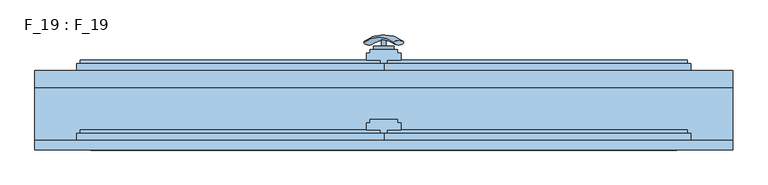
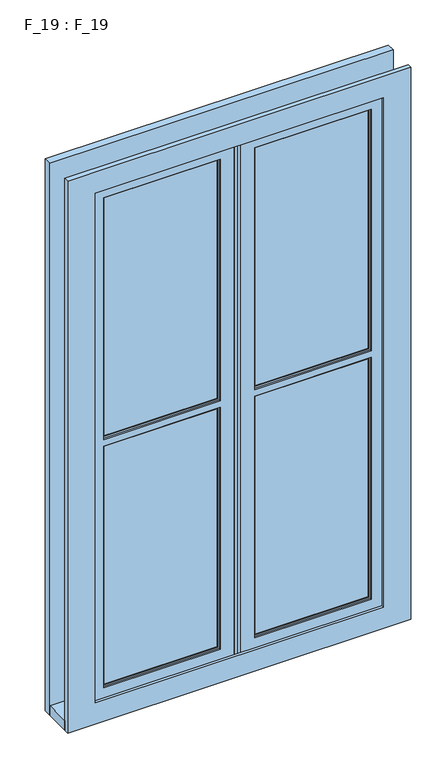
"""IFC4 building model written with IfcOpenShell, lengths in millimetres: window geometry, F_19 : F_19."""

import ifcopenshell
import ifcopenshell.guid

model = None  # the IFC model being written
_history = None  # IfcOwnerHistory: only IFC2X3 demands one
_inside = {}  # id of a spatial element -> (the spatial element, [elements in it])
_under = {}  # id of a project, library or spatial element -> (it, [spatial elements below it])
_declared = {}  # id of a project -> (the project, [libraries it declares])
_typed = {}  # id of a type object -> (the type object, [elements of that type])
_made_of = {}  # id of a material, layer set ... -> (it, [elements and type objects made of it])


def new_model(schema):
    """Start an empty IFC model of exactly this schema.

    Asked for "IFC4X3", IfcOpenShell would pick the latest addendum, in which some entities
    have other attributes; the version numbers below select the first issue.
    IFC2X3 requires an IfcOwnerHistory on every rooted entity: one is made here for all.
    """
    global model, _history
    if schema == "IFC4X3":
        model = ifcopenshell.file(schema_version=(4, 3, 0, 0))
    else:
        model = ifcopenshell.file(schema=schema)
    _inside.clear()
    _under.clear()
    _declared.clear()
    _typed.clear()
    _made_of.clear()
    _history = None
    if model.schema == "IFC2X3":
        org = make("IfcOrganization", Name="unknown")
        user = make(
            "IfcPersonAndOrganization",
            ThePerson=make("IfcPerson", FamilyName="unknown"),
            TheOrganization=org,
        )
        app = make(
            "IfcApplication",
            ApplicationDeveloper=org,
            Version="unknown",
            ApplicationFullName="unknown",
            ApplicationIdentifier="unknown",
        )
        _history = make(
            "IfcOwnerHistory",
            OwningUser=user,
            OwningApplication=app,
            ChangeAction="ADDED",
            CreationDate=0,
        )
    return model


def make(cls, **values):
    """One entity of the class cls with the attributes given. An attribute that is None is left unset."""
    return model.create_entity(
        cls, **{name: value for name, value in values.items() if value is not None}
    )


def rooted(cls, **values):
    """An entity with a GlobalId (a new one), such as an element, a storey or a relation."""
    return make(cls, GlobalId=ifcopenshell.guid.new(), OwnerHistory=_history, **values)


def si_unit(unit_type, name, prefix=None):
    """IfcSIUnit, for example si_unit("LENGTHUNIT", "METRE", prefix="MILLI")."""
    return make("IfcSIUnit", UnitType=unit_type, Prefix=prefix, Name=name)


def assignment(units):
    """IfcUnitAssignment: the units of a project."""
    return None if units is None else make("IfcUnitAssignment", Units=units)


def point(xyz):
    """IfcCartesianPoint."""
    return None if xyz is None else make("IfcCartesianPoint", Coordinates=xyz)


def direction(xyz):
    """IfcDirection."""
    return None if xyz is None else make("IfcDirection", DirectionRatios=xyz)


def frame(location, z_axis=None, x_axis=None):
    """IfcAxis2Placement3D, a coordinate frame: its origin and axes. An axis left out is left unset."""
    return make(
        "IfcAxis2Placement3D",
        Location=point(location),
        Axis=direction(z_axis),
        RefDirection=direction(x_axis),
    )


def frame_2d(location, x_axis=None):
    """IfcAxis2Placement2D, a coordinate frame in the plane: its origin and x axis."""
    return make(
        "IfcAxis2Placement2D", Location=point(location), RefDirection=direction(x_axis)
    )


def origin():
    """The frame at (0, 0, 0) with its axes left unset."""
    return frame((0.0, 0.0, 0.0))


def place(relative_to, where):
    """IfcLocalPlacement: puts the frame where relative to a parent placement (None: the world)."""
    return make(
        "IfcLocalPlacement", PlacementRelTo=relative_to, RelativePlacement=where
    )


def context(
    kind, dimensions, precision=None, world=None, true_north=None, identifier=None
):
    """IfcGeometricRepresentationContext, for example the 3D "Model" context."""
    return make(
        "IfcGeometricRepresentationContext",
        ContextIdentifier=identifier,
        ContextType=kind,
        CoordinateSpaceDimension=dimensions,
        Precision=precision,
        WorldCoordinateSystem=world,
        TrueNorth=true_north,
    )


def project(units=None, contexts=None):
    """IfcProject with its units and contexts."""
    return rooted(
        "IfcProject",
        Name="project",
        RepresentationContexts=contexts,
        UnitsInContext=assignment(units),
    )


def spatial(cls, under=None, at=None, **own):
    """A site, building, storey or space (cls), placed at a placement, below another one or the project."""
    s = rooted(cls, ObjectPlacement=at, **own)
    if under is not None:
        _under.setdefault(under.id(), (under, []))[1].append(s)
    return s


def polyline(points):
    """IfcPolyline through the points."""
    return make("IfcPolyline", Points=[point(p) for p in points])


def circle_curve(where, radius):
    """IfcCircle in the frame where."""
    return make("IfcCircle", Position=where, Radius=radius)


def ellipse_curve(where, semi_axis1, semi_axis2):
    """IfcEllipse in the frame where."""
    return make(
        "IfcEllipse", Position=where, SemiAxis1=semi_axis1, SemiAxis2=semi_axis2
    )


def trimmed(basis, trim1, trim2, sense, master):
    """IfcTrimmedCurve: the piece of a basis curve between two trims."""
    return make(
        "IfcTrimmedCurve",
        BasisCurve=basis,
        Trim1=trim1,
        Trim2=trim2,
        SenseAgreement=sense,
        MasterRepresentation=master,
    )


def segment(curve, same_sense, transition):
    """IfcCompositeCurveSegment."""
    return make(
        "IfcCompositeCurveSegment",
        Transition=transition,
        SameSense=same_sense,
        ParentCurve=curve,
    )


def composite_curve(segments, self_intersect=None):
    """IfcCompositeCurve: segments joined end to end."""
    return make("IfcCompositeCurve", Segments=segments, SelfIntersect=self_intersect)


def outline(outer, holes=None, kind="AREA"):
    """IfcArbitraryClosedProfileDef: a profile drawn as a closed curve; with holes, ...WithVoids."""
    if holes is None:
        return make("IfcArbitraryClosedProfileDef", ProfileType=kind, OuterCurve=outer)
    return make(
        "IfcArbitraryProfileDefWithVoids",
        ProfileType=kind,
        OuterCurve=outer,
        InnerCurves=holes,
    )


def extrude(swept, where, along, depth):
    """IfcExtrudedAreaSolid: the profile swept, set in the frame where, extruded along a direction by depth."""
    return make(
        "IfcExtrudedAreaSolid",
        SweptArea=swept,
        Position=where,
        ExtrudedDirection=direction(along),
        Depth=depth,
    )


def faces_of(points, faces, orient=None, outer=None):
    """IfcFace entities. A face is a list of loops; a loop is a list of indices into points, from 0.

    orient and outer hold one flag for each loop. By default every Orientation is true, the
    first loop of a face is its IfcFaceOuterBound and the others are IfcFaceBound.
    """
    made = []
    for i, loops in enumerate(faces):
        bounds = []
        for j, loop in enumerate(loops):
            is_outer = j == 0 if outer is None else outer[i][j]
            bounds.append(
                make(
                    "IfcFaceOuterBound" if is_outer else "IfcFaceBound",
                    Bound=make("IfcPolyLoop", Polygon=[points[k] for k in loop]),
                    Orientation=True if orient is None else orient[i][j],
                )
            )
        made.append(make("IfcFace", Bounds=bounds))
    return made


def faceted_brep(points, faces, orient=None, outer=None, voids=None):
    """IfcFacetedBrep: a solid bounded by flat faces; with voids (closed shells), ...WithVoids."""
    shared = [point(p) for p in points]
    hull = make("IfcClosedShell", CfsFaces=faces_of(shared, faces, orient, outer))
    if voids is None:
        return make("IfcFacetedBrep", Outer=hull)
    return make(
        "IfcFacetedBrepWithVoids",
        Outer=hull,
        Voids=[
            make(cls, CfsFaces=faces_of(shared, fs, o, b)) for cls, fs, o, b in voids
        ],
    )


def shape(context_of_items, identifier, shape_type, items):
    """IfcShapeRepresentation: the items that make up one representation, for example the "Body"."""
    return make(
        "IfcShapeRepresentation",
        ContextOfItems=context_of_items,
        RepresentationIdentifier=identifier,
        RepresentationType=shape_type,
        Items=items,
    )


def source(mapping_origin, context_of_items, identifier, shape_type, items):
    """IfcRepresentationMap: a shape defined once, which mapped items show again and again."""
    return make(
        "IfcRepresentationMap",
        MappingOrigin=mapping_origin,
        MappedRepresentation=shape(context_of_items, identifier, shape_type, items),
    )


def transform(
    local_origin,
    x_axis=None,
    y_axis=None,
    z_axis=None,
    scale=None,
    scale2=None,
    scale3=None,
    uniform=True,
):
    """IfcCartesianTransformationOperator3D, or its non-uniform kind. x_axis, y_axis, z_axis: its Axis1, 2, 3."""
    if uniform:
        return make(
            "IfcCartesianTransformationOperator3D",
            Axis1=direction(x_axis),
            Axis2=direction(y_axis),
            LocalOrigin=point(local_origin),
            Scale=scale,
            Axis3=direction(z_axis),
        )
    return make(
        "IfcCartesianTransformationOperator3DnonUniform",
        Axis1=direction(x_axis),
        Axis2=direction(y_axis),
        LocalOrigin=point(local_origin),
        Scale=scale,
        Axis3=direction(z_axis),
        Scale2=scale2,
        Scale3=scale3,
    )


def mapped(mapping_source, mapping_target):
    """IfcMappedItem: shows the shape of a source again, moved by a transform."""
    return make(
        "IfcMappedItem", MappingSource=mapping_source, MappingTarget=mapping_target
    )


def made_of(thing, what):
    """Note that an element or type object is made of a material, layer set ...; save() writes the relation."""
    if what is not None:
        _made_of.setdefault(what.id(), (what, []))[1].append(thing)
    return thing


def element(
    cls,
    number,
    at=None,
    inside=None,
    cuts=None,
    type_object=None,
    material=None,
    context=None,
    identifier="Body",
    shape_type=None,
    held_by="IfcProductDefinitionShape",
    body=None,
    shapes=None,
    **own,
):
    """One element of the class cls, such as IfcWall. Its Tag is "e" and its number.

    at: its placement. inside: the storey or other place that contains it. cuts: it is an
    opening in that element (IfcRelVoidsElement). A single representation is given by context,
    identifier, shape_type and body (its items); several are given by shapes. held_by: the class
    of the entity that holds the representations. save() writes the other relations.
    """
    e = rooted(cls, Tag="e%d" % number, ObjectPlacement=at, **own)
    if body is not None:
        shapes = [shape(context, identifier, shape_type, body)]
    if shapes is not None:
        e.Representation = make(held_by, Representations=shapes)
    if inside is not None:
        _inside.setdefault(inside.id(), (inside, []))[1].append(e)
    if cuts is not None:
        rooted(
            "IfcRelVoidsElement", RelatingBuildingElement=cuts, RelatedOpeningElement=e
        )
    if type_object is not None:
        _typed.setdefault(type_object.id(), (type_object, []))[1].append(e)
    return made_of(e, material)


def aggregate(whole, parts):
    """IfcRelAggregates: a whole, such as a stair, and the parts it consists of."""
    return rooted("IfcRelAggregates", RelatingObject=whole, RelatedObjects=parts)


def save(model, path):
    """Write the relations noted so far, then the file.

    IfcRelAggregates (storeys below a building ...), IfcRelContainedInSpatialStructure (elements
    in a storey), IfcRelDefinesByType, IfcRelAssociatesMaterial and IfcRelDeclares: one each for
    every whole, place, type object, material and project.
    """
    for whole, parts in _under.values():
        aggregate(whole, parts)
    for where, things in _inside.values():
        rooted(
            "IfcRelContainedInSpatialStructure",
            RelatedElements=things,
            RelatingStructure=where,
        )
    for kind, things in _typed.values():
        rooted("IfcRelDefinesByType", RelatedObjects=things, RelatingType=kind)
    for what, things in _made_of.values():
        rooted("IfcRelAssociatesMaterial", RelatedObjects=things, RelatingMaterial=what)
    for by, libraries in _declared.values():
        rooted("IfcRelDeclares", RelatingContext=by, RelatedDefinitions=libraries)
    model.write(path)


def plane_surface(at):
    """IfcPlane: the flat surface through the origin of the frame at, square to its z axis."""
    return make("IfcPlane", Position=at)


def revolved_surface(curve, axis_point, axis_direction):
    """IfcSurfaceOfRevolution: the curve turned about the line through axis_point along axis_direction."""
    return make(
        "IfcSurfaceOfRevolution",
        SweptCurve=make("IfcArbitraryOpenProfileDef", ProfileType="CURVE", Curve=curve),
        AxisPosition=make("IfcAxis1Placement", Location=point(axis_point), Axis=direction(axis_direction)),
    )


def advanced_brep(points, edges, surfaces, faces):
    """IfcAdvancedBrep: a solid bounded by faces that lie on surfaces and meet in shared edges.

    An edge is (start, end): straight between two places in points (the first is 0);
    or (start, end, curve); or (start, end, curve, False) where it runs against its curve.
    A face is (place in surfaces, loops), or (place, loops, False) where it looks against
    its surface's normal. A loop lists edges by number (the first is 1), with a minus sign
    where the edge is run from its end to its start. The first loop is the outer one.
    """
    corners = [point(p) for p in points]
    vertices = [make("IfcVertexPoint", VertexGeometry=c) for c in corners]
    made = []
    for start, end, *more in edges:
        made.append(
            make(
                "IfcEdgeCurve",
                EdgeStart=vertices[start],
                EdgeEnd=vertices[end],
                EdgeGeometry=more[0] if more else make("IfcPolyline", Points=[corners[start], corners[end]]),
                SameSense=more[1] if len(more) > 1 else True,
            )
        )
    hull = []
    for where, loops, *sense in faces:
        bounds = []
        for j, loop in enumerate(loops):
            ring = [make("IfcOrientedEdge", EdgeElement=made[abs(k) - 1], Orientation=k > 0) for k in loop]
            bounds.append(
                make(
                    "IfcFaceOuterBound" if j == 0 else "IfcFaceBound",
                    Bound=make("IfcEdgeLoop", EdgeList=ring),
                    Orientation=True,
                )
            )
        hull.append(make("IfcAdvancedFace", Bounds=bounds, FaceSurface=surfaces[where], SameSense=sense[0] if sense else True))
    return make("IfcAdvancedBrep", Outer=make("IfcClosedShell", CfsFaces=hull))


def f_19_f_19_00ab55f5(model_context):
    return source(origin(), model_context, "Body", "SolidModel", [
        advanced_brep(
        [(-28.5497704, 190.2287724, 1557.2483361), (-14.693364, 190.2287724, 1549.2483361), (14.693364, 190.2287724, 1632.147642), (28.5497704, 190.2287724, 1624.147642)],
        [
            (0, 1, ellipse_curve(frame((-21.6215672, 190.2287724, 1553.2483361), z_axis=(-0.46984631039295827, -0.3420201433256777, -0.8137976813493676), x_axis=(0.8660254037844349, 0.0, -0.5000000000000066)), 8.0, 3.5)),
            (1, 0, ellipse_curve(frame((-21.6215672, 190.2287724, 1553.2483361), z_axis=(-0.46984631039295827, -0.3420201433256777, -0.8137976813493676), x_axis=(0.8660254037844349, 0.0, -0.5000000000000066)), 8.0, 3.5)),
            (2, 3, ellipse_curve(frame((21.6215672, 190.2287724, 1628.147642), z_axis=(0.46984631039296154, -0.3420201433256599, 0.8137976813493732), x_axis=(0.8660254037844355, 0.0, -0.5000000000000056)), 8.0, 3.5)),
            (3, 2, ellipse_curve(frame((21.6215672, 190.2287724, 1628.147642), z_axis=(0.46984631039296154, -0.3420201433256599, 0.8137976813493732), x_axis=(0.8660254037844355, 0.0, -0.5000000000000056)), 8.0, 3.5)),
            (2, 0, circle_curve(frame((-6.9282032, 71.419237, 1594.6979891), z_axis=(-0.8660254037844353, 0.0, 0.500000000000006), x_axis=(-0.1710100716628409, 0.9396926207859051, -0.29619813272603046)), 126.4344667)),
            (1, 3, circle_curve(frame((6.9282032, 71.419237, 1586.6979891), z_axis=(0.8660254037844353, 0.0, -0.500000000000006), x_axis=(-0.1710100716628409, 0.9396926207859051, -0.29619813272603046)), 126.4344667)),
        ],
        [
            plane_surface(frame((40.0926994, 187.5471681, 1518.7446033), z_axis=(-0.4698463103929582, -0.34202014332567776, -0.8137976813493677), x_axis=(-0.8660254037844352, 0.0, 0.500000000000006))),
            plane_surface(frame((82.3598097, 187.5471681, 1591.9533858), z_axis=(0.4698463103929615, -0.34202014332565983, 0.8137976813493734), x_axis=(-0.8660254037844352, 0.0, 0.500000000000006))),
            revolved_surface(trimmed(ellipse_curve(frame((-21.6215672, 190.2287724, 1553.2483361), z_axis=(0.46984631039295827, 0.3420201433256777, 0.8137976813493676), x_axis=(0.8660254037844349, 0.0, -0.5000000000000066)), 8.0, 3.5), [point((-28.5497704, 190.2287724, 1557.2483361))], [point((-14.693364, 190.2287724, 1549.2483361))], True, "CARTESIAN"), (61.2262546, 71.419237, 1555.3489945), (-0.8660254037844353, 0.0, 0.500000000000006)),
            revolved_surface(trimmed(ellipse_curve(frame((-21.6215672, 190.2287724, 1553.2483361), z_axis=(0.46984631039295827, 0.3420201433256777, 0.8137976813493676), x_axis=(0.8660254037844349, 0.0, -0.5000000000000066)), 8.0, 3.5), [point((-14.693364, 190.2287724, 1549.2483361))], [point((-28.5497704, 190.2287724, 1557.2483361))], True, "CARTESIAN"), (61.2262546, 71.419237, 1555.3489945), (-0.8660254037844353, 0.0, 0.500000000000006)),
        ],
        [
            (0, [[1, 2]]),
            (1, [[3, 4]]),
            (2, [[-3, 5, -2, 6]]),
            (3, [[-4, -6, -1, -5]]),
        ],
    ),
        extrude(outline(composite_curve([segment(trimmed(circle_curve(frame_2d((1590.6979891, 0.0)), 3.5), [point((1590.6979891, -3.5))], [point((1590.6979891, 3.5))], False, "CARTESIAN"), True, "CONTINUOUS"), segment(trimmed(circle_curve(frame_2d((1590.6979891, 0.0)), 3.5), [point((1590.6979891, 3.5))], [point((1590.6979891, -3.5))], False, "CARTESIAN"), True, "CONTINUOUS")], self_intersect=False)), frame((0.0, 185.0, 0.0), z_axis=(0.0, 1.0, 0.0), x_axis=(0.0, 0.0, 1.0)), (0.0, 0.0, 1.0), 10.0),
        extrude(outline(composite_curve([segment(polyline([(1655.0, -15.0), (1525.0, -15.0)]), True, "CONTINUOUS"), segment(trimmed(circle_curve(frame_2d((1525.0, 0.0)), 15.0), [point((1525.0, -15.0))], [point((1525.0, 15.0))], False, "CARTESIAN"), True, "CONTINUOUS"), segment(polyline([(1525.0, 15.0), (1655.0, 15.0)]), True, "CONTINUOUS"), segment(trimmed(circle_curve(frame_2d((1655.0, 0.0)), 15.0), [point((1655.0, 15.0))], [point((1655.0, -15.0))], False, "CARTESIAN"), True, "CONTINUOUS")], self_intersect=False)), frame((0.0, 180.0, 0.0), z_axis=(0.0, 1.0, 0.0), x_axis=(0.0, 0.0, 1.0)), (0.0, 0.0, 1.0), 5.0),
        extrude(outline(polyline([(-55.0, 157.0), (-55.0, 153.0), (-385.0, 153.0), (-385.0, 157.0), (-55.0, 157.0)])), frame((0.0, 0.0, 1605.0), z_axis=(0.0, 0.0, 1.0), x_axis=(1.0, 0.0, 0.0)), (0.0, 0.0, 1.0), 735.0),
        extrude(outline(polyline([(-55.0, 157.0), (-55.0, 153.0), (-385.0, 153.0), (-385.0, 157.0), (-55.0, 157.0)])), frame((0.0, 0.0, 840.0), z_axis=(0.0, 0.0, 1.0), x_axis=(1.0, 0.0, 0.0)), (0.0, 0.0, 1.0), 735.0),
        extrude(outline(polyline([(385.0, 157.0), (385.0, 153.0), (55.0, 153.0), (55.0, 157.0), (385.0, 157.0)])), frame((0.0, 0.0, 1605.0), z_axis=(0.0, 0.0, 1.0), x_axis=(1.0, 0.0, 0.0)), (0.0, 0.0, 1.0), 735.0),
        extrude(outline(polyline([(385.0, 157.0), (385.0, 153.0), (55.0, 153.0), (55.0, 157.0), (385.0, 157.0)])), frame((0.0, 0.0, 840.0), z_axis=(0.0, 0.0, 1.0), x_axis=(1.0, 0.0, 0.0)), (0.0, 0.0, 1.0), 735.0),
        faceted_brep([(-50.0, 65.0, 1580.0), (-50.0, 60.0, 1580.0), (-390.0, 60.0, 1580.0), (-390.0, 65.0, 1580.0), (-5.0, 65.0, 790.0), (-435.0, 65.0, 790.0), (-435.0, 65.0, 2390.0), (-5.0, 65.0, 2390.0), (-390.0, 65.0, 835.0), (-50.0, 65.0, 835.0), (-50.0, 65.0, 1600.0), (-50.0, 65.0, 2345.0), (-390.0, 65.0, 2345.0), (-390.0, 65.0, 1600.0), (-390.0, 60.0, 835.0), (-390.0, 60.0, 1600.0), (-390.0, 60.0, 2345.0), (-50.0, 60.0, 835.0), (-385.0, 60.0, 1575.0), (-385.0, 60.0, 840.0), (-55.0, 60.0, 840.0), (-55.0, 60.0, 1575.0), (-50.0, 60.0, 2345.0), (-50.0, 60.0, 1600.0), (-385.0, 60.0, 2340.0), (-385.0, 60.0, 1605.0), (-55.0, 60.0, 1605.0), (-55.0, 60.0, 2340.0), (-55.0, 50.0, 1605.0), (-55.0, 50.0, 2340.0), (-55.0, 50.0, 840.0), (-55.0, 50.0, 1575.0), (-385.0, 50.0, 1605.0), (-385.0, 50.0, 1575.0), (-385.0, 50.0, 840.0), (-385.0, 50.0, 2340.0), (-50.0, 50.0, 835.0), (-50.0, 50.0, 1580.0), (-390.0, 50.0, 1580.0), (-390.0, 50.0, 835.0), (-390.0, 50.0, 2345.0), (-390.0, 50.0, 1600.0), (-50.0, 50.0, 1600.0), (-50.0, 50.0, 2345.0), (-390.0, 45.0, 835.0), (-50.0, 45.0, 835.0), (-390.0, 45.0, 2345.0), (-390.0, 45.0, 1600.0), (-390.0, 45.0, 1580.0), (-50.0, 45.0, 1580.0), (-50.0, 45.0, 1600.0), (-50.0, 45.0, 2345.0), (-10.0, 45.0, 2385.0), (-430.0, 45.0, 2385.0), (-430.0, 45.0, 795.0), (-10.0, 45.0, 795.0), (-10.0, 50.0, 795.0), (-10.0, 50.0, 2385.0), (-430.0, 50.0, 795.0), (-430.0, 50.0, 2385.0), (-5.0, 60.0, 2390.0), (-5.0, 60.0, 790.0), (-435.0, 60.0, 790.0), (-435.0, 60.0, 2390.0), (0.0, 60.0, 785.0), (-440.0, 60.0, 785.0), (-440.0, 60.0, 2395.0), (0.0, 60.0, 2395.0), (0.0, 50.0, 2395.0), (0.0, 50.0, 785.0), (-440.0, 50.0, 785.0), (-440.0, 50.0, 2395.0)], [[[0, 1, 2, 3]], [[4, 5, 6, 7], [3, 8, 9, 0], [10, 11, 12, 13]], [[8, 3, 2, 14]], [[15, 13, 12, 16]], [[14, 2, 1, 17], [18, 19, 20, 21]], [[22, 23, 15, 16], [24, 25, 26, 27]], [[1, 0, 9, 17]], [[11, 10, 23, 22]], [[9, 8, 14, 17]], [[27, 26, 28, 29]], [[30, 31, 21, 20]], [[28, 26, 25, 32]], [[19, 18, 33, 34]], [[35, 32, 25, 24]], [[13, 15, 23, 10]], [[21, 31, 33, 18]], [[20, 19, 34, 30]], [[36, 37, 38, 39], [31, 30, 34, 33]], [[40, 41, 42, 43], [35, 29, 28, 32]], [[36, 39, 44, 45]], [[46, 47, 41, 40]], [[38, 48, 44, 39]], [[48, 38, 37, 49]], [[45, 49, 37, 36]], [[42, 50, 51, 43]], [[50, 42, 41, 47]], [[52, 53, 54, 55], [47, 46, 51, 50], [49, 45, 44, 48]], [[52, 55, 56, 57]], [[55, 54, 58, 56]], [[54, 53, 59, 58]], [[60, 61, 4, 7]], [[62, 63, 6, 5]], [[61, 62, 5, 4]], [[64, 65, 66, 67], [60, 63, 62, 61]], [[68, 69, 64, 67]], [[69, 70, 65, 64]], [[68, 71, 70, 69], [56, 58, 59, 57]], [[70, 71, 66, 65]], [[29, 35, 24, 27]], [[22, 16, 12, 11]], [[51, 46, 40, 43]], [[57, 59, 53, 52]], [[7, 6, 63, 60]], [[67, 66, 71, 68]]]),
        faceted_brep([(-50.0, 145.0, 835.0), (-50.0, 145.0, 1580.0), (-50.0, 150.0, 1580.0), (-50.0, 150.0, 835.0), (-50.0, 150.0, 1600.0), (-50.0, 145.0, 1600.0), (-50.0, 145.0, 2345.0), (-50.0, 150.0, 2345.0), (-390.0, 150.0, 835.0), (-390.0, 145.0, 835.0), (-390.0, 150.0, 1580.0), (-55.0, 150.0, 840.0), (-385.0, 150.0, 840.0), (-385.0, 150.0, 1575.0), (-55.0, 150.0, 1575.0), (-390.0, 150.0, 2345.0), (-390.0, 150.0, 1600.0), (-385.0, 150.0, 2340.0), (-55.0, 150.0, 2340.0), (-55.0, 150.0, 1605.0), (-385.0, 150.0, 1605.0), (-390.0, 145.0, 1580.0), (-10.0, 145.0, 2385.0), (-430.0, 145.0, 2385.0), (-430.0, 145.0, 795.0), (-10.0, 145.0, 795.0), (-390.0, 145.0, 2345.0), (-390.0, 145.0, 1600.0), (-55.0, 160.0, 1575.0), (-55.0, 160.0, 840.0), (-55.0, 160.0, 2340.0), (-55.0, 160.0, 1605.0), (-385.0, 160.0, 1605.0), (-390.0, 160.0, 835.0), (-390.0, 160.0, 1580.0), (-50.0, 160.0, 1580.0), (-50.0, 160.0, 835.0), (-385.0, 160.0, 1575.0), (-385.0, 160.0, 840.0), (-50.0, 160.0, 2345.0), (-50.0, 160.0, 1600.0), (-390.0, 160.0, 1600.0), (-390.0, 160.0, 2345.0), (-385.0, 160.0, 2340.0), (-50.0, 165.0, 2345.0), (-50.0, 165.0, 1600.0), (-50.0, 165.0, 1580.0), (-50.0, 165.0, 835.0), (-390.0, 165.0, 1600.0), (-5.0, 165.0, 790.0), (-435.0, 165.0, 790.0), (-435.0, 165.0, 2390.0), (-5.0, 165.0, 2390.0), (-390.0, 165.0, 1580.0), (-390.0, 165.0, 835.0), (-390.0, 165.0, 2345.0), (-5.0, 160.0, 2390.0), (-5.0, 160.0, 790.0), (-435.0, 160.0, 790.0), (0.0, 160.0, 785.0), (-440.0, 160.0, 785.0), (-440.0, 160.0, 2395.0), (0.0, 160.0, 2395.0), (-435.0, 160.0, 2390.0), (0.0, 150.0, 2395.0), (0.0, 150.0, 785.0), (-440.0, 150.0, 785.0), (-440.0, 150.0, 2395.0), (-10.0, 150.0, 795.0), (-430.0, 150.0, 795.0), (-430.0, 150.0, 2385.0), (-10.0, 150.0, 2385.0)], [[[0, 1, 2, 3]], [[4, 5, 6, 7]], [[3, 8, 9, 0]], [[3, 2, 10, 8], [11, 12, 13, 14]], [[15, 16, 4, 7], [17, 18, 19, 20]], [[21, 10, 2, 1]], [[22, 23, 24, 25], [9, 21, 1, 0], [26, 6, 5, 27]], [[5, 4, 16, 27]], [[11, 14, 28, 29]], [[30, 31, 19, 18]], [[19, 31, 32, 20]], [[33, 34, 35, 36], [29, 28, 37, 38]], [[39, 40, 41, 42], [43, 32, 31, 30]], [[29, 38, 12, 11]], [[13, 37, 28, 14]], [[44, 45, 40, 39]], [[35, 46, 47, 36]], [[48, 41, 40, 45]], [[49, 50, 51, 52], [47, 46, 53, 54], [44, 55, 48, 45]], [[47, 54, 33, 36]], [[46, 35, 34, 53]], [[56, 57, 49, 52]], [[57, 58, 50, 49]], [[59, 60, 61, 62], [56, 63, 58, 57]], [[64, 65, 59, 62]], [[65, 66, 60, 59]], [[64, 67, 66, 65], [68, 69, 70, 71]], [[22, 25, 68, 71]], [[25, 24, 69, 68]], [[10, 21, 9, 8]], [[26, 27, 16, 15]], [[17, 20, 32, 43]], [[38, 37, 13, 12]], [[41, 48, 55, 42]], [[54, 53, 34, 33]], [[58, 63, 51, 50]], [[66, 67, 61, 60]], [[24, 23, 70, 69]], [[6, 26, 15, 7]], [[18, 17, 43, 30]], [[39, 42, 55, 44]], [[52, 51, 63, 56]], [[62, 61, 67, 64]], [[71, 70, 23, 22]]]),
        faceted_brep([(-500.0, 150.0, 2440.0), (-500.0, 150.0, 740.0), (-500.0, 126.0, 740.0), (-500.0, 126.0, 2440.0), (500.0, 126.0, 740.0), (500.0, 126.0, 2440.0), (-420.0, 126.0, 805.0), (-420.0, 126.0, 2375.0), (430.0, 126.0, 2375.0), (430.0, 126.0, 805.0), (500.0, 150.0, 740.0), (500.0, 150.0, 2440.0), (-430.0, 150.0, 2385.0), (-430.0, 150.0, 795.0), (440.0, 150.0, 795.0), (440.0, 150.0, 2385.0), (430.0, 145.0, 805.0), (-420.0, 145.0, 805.0), (430.0, 145.0, 2375.0), (-420.0, 145.0, 2375.0), (-430.0, 145.0, 2385.0), (440.0, 145.0, 2385.0), (440.0, 145.0, 795.0), (-430.0, 145.0, 795.0)], [[[0, 1, 2, 3]], [[2, 4, 5, 3], [6, 7, 8, 9]], [[10, 4, 2, 1]], [[0, 11, 10, 1], [12, 13, 14, 15]], [[6, 9, 16, 17]], [[8, 18, 16, 9]], [[7, 6, 17, 19]], [[4, 10, 11, 5]], [[20, 21, 22, 23], [17, 16, 18, 19]], [[20, 23, 13, 12]], [[22, 14, 13, 23]], [[21, 15, 14, 22]], [[5, 11, 0, 3]], [[19, 18, 8, 7]], [[15, 21, 20, 12]]]),
        faceted_brep([(50.0, 45.0, 2345.0), (50.0, 45.0, 1600.0), (50.0, 50.0, 1600.0), (50.0, 50.0, 2345.0), (50.0, 50.0, 1580.0), (50.0, 45.0, 1580.0), (50.0, 45.0, 835.0), (50.0, 50.0, 835.0), (390.0, 50.0, 1600.0), (390.0, 50.0, 2345.0), (55.0, 50.0, 2340.0), (385.0, 50.0, 2340.0), (385.0, 50.0, 1605.0), (55.0, 50.0, 1605.0), (390.0, 50.0, 835.0), (390.0, 50.0, 1580.0), (385.0, 50.0, 840.0), (55.0, 50.0, 840.0), (55.0, 50.0, 1575.0), (385.0, 50.0, 1575.0), (390.0, 45.0, 1600.0), (10.0, 45.0, 795.0), (430.0, 45.0, 795.0), (430.0, 45.0, 2385.0), (10.0, 45.0, 2385.0), (390.0, 45.0, 1580.0), (390.0, 45.0, 835.0), (390.0, 45.0, 2345.0), (55.0, 60.0, 1605.0), (55.0, 60.0, 2340.0), (55.0, 60.0, 840.0), (55.0, 60.0, 1575.0), (50.0, 60.0, 835.0), (50.0, 60.0, 1580.0), (390.0, 60.0, 1580.0), (390.0, 60.0, 835.0), (385.0, 60.0, 840.0), (385.0, 60.0, 1575.0), (390.0, 60.0, 2345.0), (390.0, 60.0, 1600.0), (50.0, 60.0, 1600.0), (50.0, 60.0, 2345.0), (385.0, 60.0, 1605.0), (385.0, 60.0, 2340.0), (50.0, 65.0, 835.0), (50.0, 65.0, 1580.0), (50.0, 65.0, 1600.0), (50.0, 65.0, 2345.0), (390.0, 65.0, 835.0), (390.0, 65.0, 1580.0), (5.0, 65.0, 2390.0), (435.0, 65.0, 2390.0), (435.0, 65.0, 790.0), (5.0, 65.0, 790.0), (390.0, 65.0, 2345.0), (390.0, 65.0, 1600.0), (5.0, 60.0, 790.0), (5.0, 60.0, 2390.0), (0.0, 60.0, 2395.0), (440.0, 60.0, 2395.0), (440.0, 60.0, 785.0), (0.0, 60.0, 785.0), (435.0, 60.0, 790.0), (435.0, 60.0, 2390.0), (0.0, 50.0, 785.0), (0.0, 50.0, 2395.0), (440.0, 50.0, 785.0), (440.0, 50.0, 2395.0), (10.0, 50.0, 2385.0), (430.0, 50.0, 2385.0), (430.0, 50.0, 795.0), (10.0, 50.0, 795.0)], [[[0, 1, 2, 3]], [[4, 5, 6, 7]], [[3, 2, 8, 9], [10, 11, 12, 13]], [[14, 15, 4, 7], [16, 17, 18, 19]], [[20, 8, 2, 1]], [[21, 22, 23, 24], [6, 5, 25, 26], [0, 27, 20, 1]], [[6, 26, 14, 7]], [[5, 4, 15, 25]], [[10, 13, 28, 29]], [[30, 31, 18, 17]], [[32, 33, 34, 35], [36, 37, 31, 30]], [[38, 39, 40, 41], [29, 28, 42, 43]], [[28, 13, 12, 42]], [[17, 16, 36, 30]], [[37, 19, 18, 31]], [[44, 45, 33, 32]], [[40, 46, 47, 41]], [[32, 35, 48, 44]], [[49, 34, 33, 45]], [[50, 51, 52, 53], [48, 49, 45, 44], [54, 47, 46, 55]], [[46, 40, 39, 55]], [[50, 53, 56, 57]], [[58, 59, 60, 61], [56, 62, 63, 57]], [[53, 52, 62, 56]], [[58, 61, 64, 65]], [[64, 66, 67, 65], [68, 69, 70, 71]], [[61, 60, 66, 64]], [[68, 71, 21, 24]], [[71, 70, 22, 21]], [[8, 20, 27, 9]], [[26, 25, 15, 14]], [[16, 19, 37, 36]], [[43, 42, 12, 11]], [[34, 49, 48, 35]], [[54, 55, 39, 38]], [[52, 51, 63, 62]], [[60, 59, 67, 66]], [[70, 69, 23, 22]], [[3, 9, 27, 0]], [[29, 43, 11, 10]], [[47, 54, 38, 41]], [[57, 63, 51, 50]], [[65, 67, 59, 58]], [[24, 23, 69, 68]]]),
        faceted_brep([(50.0, 145.0, 835.0), (390.0, 145.0, 835.0), (390.0, 150.0, 835.0), (50.0, 150.0, 835.0), (390.0, 150.0, 1580.0), (50.0, 150.0, 1580.0), (385.0, 150.0, 1575.0), (385.0, 150.0, 840.0), (55.0, 150.0, 840.0), (55.0, 150.0, 1575.0), (50.0, 150.0, 2345.0), (50.0, 150.0, 1600.0), (390.0, 150.0, 1600.0), (390.0, 150.0, 2345.0), (55.0, 150.0, 2340.0), (385.0, 150.0, 2340.0), (385.0, 150.0, 1605.0), (55.0, 150.0, 1605.0), (50.0, 145.0, 2345.0), (50.0, 145.0, 1600.0), (50.0, 145.0, 1580.0), (390.0, 145.0, 1580.0), (390.0, 145.0, 1600.0), (390.0, 145.0, 2345.0), (55.0, 160.0, 1605.0), (55.0, 160.0, 2340.0), (55.0, 160.0, 840.0), (55.0, 160.0, 1575.0), (385.0, 160.0, 1605.0), (385.0, 160.0, 1575.0), (385.0, 160.0, 840.0), (385.0, 160.0, 2340.0), (10.0, 145.0, 795.0), (430.0, 145.0, 795.0), (430.0, 145.0, 2385.0), (10.0, 145.0, 2385.0), (10.0, 150.0, 2385.0), (10.0, 150.0, 795.0), (430.0, 150.0, 795.0), (430.0, 150.0, 2385.0), (50.0, 160.0, 835.0), (50.0, 160.0, 1580.0), (390.0, 160.0, 1580.0), (390.0, 160.0, 835.0), (390.0, 160.0, 2345.0), (390.0, 160.0, 1600.0), (50.0, 160.0, 1600.0), (50.0, 160.0, 2345.0), (390.0, 165.0, 835.0), (50.0, 165.0, 835.0), (390.0, 165.0, 2345.0), (390.0, 165.0, 1600.0), (390.0, 165.0, 1580.0), (50.0, 165.0, 1580.0), (50.0, 165.0, 1600.0), (50.0, 165.0, 2345.0), (5.0, 165.0, 2390.0), (435.0, 165.0, 2390.0), (435.0, 165.0, 790.0), (5.0, 165.0, 790.0), (5.0, 160.0, 790.0), (5.0, 160.0, 2390.0), (435.0, 160.0, 790.0), (435.0, 160.0, 2390.0), (0.0, 160.0, 2395.0), (440.0, 160.0, 2395.0), (440.0, 160.0, 785.0), (0.0, 160.0, 785.0), (0.0, 150.0, 785.0), (0.0, 150.0, 2395.0), (440.0, 150.0, 785.0), (440.0, 150.0, 2395.0)], [[[0, 1, 2, 3]], [[2, 4, 5, 3], [6, 7, 8, 9]], [[10, 11, 12, 13], [14, 15, 16, 17]], [[18, 19, 11, 10]], [[5, 20, 0, 3]], [[20, 5, 4, 21]], [[1, 21, 4, 2]], [[12, 22, 23, 13]], [[22, 12, 11, 19]], [[14, 17, 24, 25]], [[26, 27, 9, 8]], [[16, 28, 24, 17]], [[7, 6, 29, 30]], [[31, 28, 16, 15]], [[9, 27, 29, 6]], [[8, 7, 30, 26]], [[32, 33, 34, 35], [19, 18, 23, 22], [21, 1, 0, 20]], [[36, 37, 32, 35]], [[38, 39, 34, 33]], [[37, 38, 33, 32]], [[40, 41, 42, 43], [30, 29, 27, 26]], [[44, 45, 46, 47], [28, 31, 25, 24]], [[40, 43, 48, 49]], [[50, 51, 45, 44]], [[42, 52, 48, 43]], [[52, 42, 41, 53]], [[49, 53, 41, 40]], [[46, 54, 55, 47]], [[54, 46, 45, 51]], [[56, 57, 58, 59], [51, 50, 55, 54], [53, 49, 48, 52]], [[56, 59, 60, 61]], [[59, 58, 62, 60]], [[58, 57, 63, 62]], [[64, 65, 66, 67], [60, 62, 63, 61]], [[64, 67, 68, 69]], [[68, 70, 71, 69], [36, 39, 38, 37]], [[67, 66, 70, 68]], [[66, 65, 71, 70]], [[10, 13, 23, 18]], [[25, 31, 15, 14]], [[35, 34, 39, 36]], [[55, 50, 44, 47]], [[61, 63, 57, 56]], [[69, 71, 65, 64]]]),
        faceted_brep([(500.0, 36.0, 740.0), (500.0, 36.0, 2440.0), (-500.0, 36.0, 2440.0), (-500.0, 36.0, 740.0), (420.0, 36.0, 2375.0), (420.0, 36.0, 805.0), (-420.0, 36.0, 805.0), (-420.0, 36.0, 2375.0), (-420.0, 45.0, 805.0), (-420.0, 45.0, 2375.0), (420.0, 45.0, 805.0), (420.0, 45.0, 2375.0), (-500.0, 50.0, 740.0), (500.0, 50.0, 740.0), (-500.0, 50.0, 2440.0), (500.0, 50.0, 2440.0), (-430.0, 50.0, 2385.0), (-430.0, 50.0, 795.0), (430.0, 50.0, 795.0), (430.0, 50.0, 2385.0), (430.0, 45.0, 795.0), (430.0, 45.0, 2385.0), (-430.0, 45.0, 795.0), (-430.0, 45.0, 2385.0)], [[[0, 1, 2, 3], [4, 5, 6, 7]], [[7, 6, 8, 9]], [[8, 6, 5, 10]], [[11, 10, 5, 4]], [[12, 13, 0, 3]], [[14, 12, 3, 2]], [[0, 13, 15, 1]], [[14, 15, 13, 12], [16, 17, 18, 19]], [[19, 18, 20, 21]], [[17, 22, 20, 18]], [[22, 17, 16, 23]], [[21, 20, 22, 23], [9, 8, 10, 11]], [[2, 1, 15, 14]], [[9, 11, 4, 7]], [[16, 19, 21, 23]]]),
        extrude(outline(polyline([(0.5, 45.0), (0.5, 50.0), (10.0, 50.0), (10.0, 45.0), (0.5, 45.0)])), frame((0.0, 0.0, 785.0), z_axis=(0.0, 0.0, 1.0), x_axis=(1.0, 0.0, 0.0)), (0.0, 0.0, 1.0), 1610.0),
        extrude(outline(polyline([(-0.5, 45.0), (-10.0, 45.0), (-10.0, 50.0), (-0.5, 50.0), (-0.5, 45.0)])), frame((0.0, 0.0, 785.0), z_axis=(0.0, 0.0, 1.0), x_axis=(1.0, 0.0, 0.0)), (0.0, 0.0, 1.0), 1610.0),
        extrude(outline(polyline([(-55.0, 57.0), (-55.0, 53.0), (-385.0, 53.0), (-385.0, 57.0), (-55.0, 57.0)])), frame((0.0, 0.0, 1605.0), z_axis=(0.0, 0.0, 1.0), x_axis=(1.0, 0.0, 0.0)), (0.0, 0.0, 1.0), 735.0),
        extrude(outline(polyline([(-55.0, 57.0), (-55.0, 53.0), (-385.0, 53.0), (-385.0, 57.0), (-55.0, 57.0)])), frame((0.0, 0.0, 840.0), z_axis=(0.0, 0.0, 1.0), x_axis=(1.0, 0.0, 0.0)), (0.0, 0.0, 1.0), 735.0),
        extrude(outline(polyline([(385.0, 57.0), (385.0, 53.0), (55.0, 53.0), (55.0, 57.0), (385.0, 57.0)])), frame((0.0, 0.0, 1605.0), z_axis=(0.0, 0.0, 1.0), x_axis=(1.0, 0.0, 0.0)), (0.0, 0.0, 1.0), 735.0),
        extrude(outline(polyline([(385.0, 57.0), (385.0, 53.0), (55.0, 53.0), (55.0, 57.0), (385.0, 57.0)])), frame((0.0, 0.0, 840.0), z_axis=(0.0, 0.0, 1.0), x_axis=(1.0, 0.0, 0.0)), (0.0, 0.0, 1.0), 735.0),
        extrude(outline(polyline([(5.0, 60.0), (-5.0, 60.0), (-5.0, 65.0), (-25.0, 65.0), (-25.0, 75.0), (-20.0, 75.0), (-20.0, 80.0), (20.0, 80.0), (20.0, 75.0), (25.0, 75.0), (25.0, 65.0), (5.0, 65.0), (5.0, 60.0)])), frame((0.0, 0.0, 785.0), z_axis=(0.0, 0.0, 1.0), x_axis=(1.0, 0.0, 0.0)), (0.0, 0.0, 1.0), 1610.0),
        extrude(outline(polyline([(-0.5, 145.0), (-10.0, 145.0), (-10.0, 150.0), (-0.5, 150.0), (-0.5, 145.0)])), frame((0.0, 0.0, 785.0), z_axis=(0.0, 0.0, 1.0), x_axis=(1.0, 0.0, 0.0)), (0.0, 0.0, 1.0), 1610.0),
        extrude(outline(polyline([(5.0, 160.0), (-5.0, 160.0), (-5.0, 165.0), (-25.0, 165.0), (-25.0, 175.0), (-20.0, 175.0), (-20.0, 180.0), (20.0, 180.0), (20.0, 175.0), (25.0, 175.0), (25.0, 165.0), (5.0, 165.0), (5.0, 160.0)])), frame((0.0, 0.0, 785.0), z_axis=(0.0, 0.0, 1.0), x_axis=(1.0, 0.0, 0.0)), (0.0, 0.0, 1.0), 1610.0),
        extrude(outline(polyline([(0.5, 145.0), (0.5, 150.0), (10.0, 150.0), (10.0, 145.0), (0.5, 145.0)])), frame((0.0, 0.0, 785.0), z_axis=(0.0, 0.0, 1.0), x_axis=(1.0, 0.0, 0.0)), (0.0, 0.0, 1.0), 1610.0),
        extrude(outline(polyline([(-500.0, 150.0), (500.0, 150.0), (500.0, 50.0), (-500.0, 50.0), (-500.0, 150.0)])), frame((0.0, 0.0, 740.0), z_axis=(0.0, 0.0, 1.0), x_axis=(1.0, 0.0, 0.0)), (0.0, 0.0, 1.0), 30.0),
    ])


if __name__ == "__main__":
    model = new_model("IFC4")
    model_context = context("Model", 3, world=origin())
    ifc_project = project(units=[si_unit("LENGTHUNIT", "METRE", prefix="MILLI")], contexts=[model_context])
    site = spatial("IfcSite", under=ifc_project)
    building = spatial("IfcBuilding", under=site)
    placement = place(None, origin())
    f_19_f_19_shape = f_19_f_19_00ab55f5(model_context)
    element("IfcWindow", 1, ObjectType="F_19 : F_19", at=placement, inside=building, context=model_context, shape_type="MappedRepresentation", body=[
        mapped(f_19_f_19_shape, transform((0.0, 0.0, 0.0), x_axis=(1.0, 0.0, 0.0), y_axis=(0.0, 1.0, 0.0), z_axis=(0.0, 0.0, 1.0))),
    ])
    save(model, "model.ifc")
